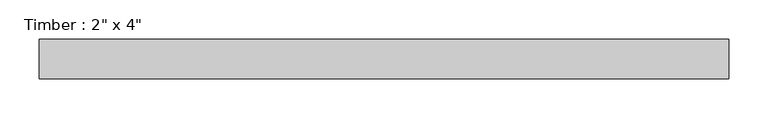
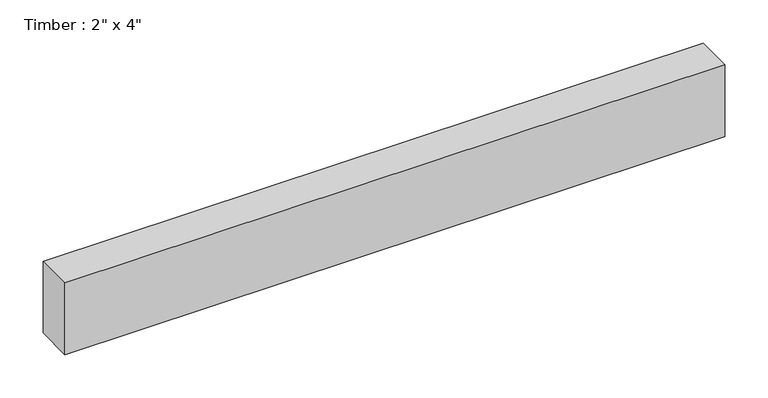
"""IFC4 building model written with IfcOpenShell, lengths in millimetres: beam geometry."""

from ifc_helpers import new_model, si_unit, frame, origin, place, context, project, spatial, polyline, outline, extrude, source, transform, mapped, element, save


def beam_74559102(model_context):
    return source(origin(), model_context, "Body", "SweptSolid", [
        extrude(outline(polyline([(460.6335528, 25.4), (460.6335528, -25.4), (-423.3963909, -25.4), (-423.3963909, 25.4), (460.6335528, 25.4)])), frame((0.0, 0.0, -50.8), z_axis=(0.0, 0.0, 1.0), x_axis=(1.0, 0.0, 0.0)), (0.0, 0.0, 1.0), 101.6),
    ])


if __name__ == "__main__":
    model = new_model("IFC4")
    model_context = context("Model", 3, world=origin())
    ifc_project = project(units=[si_unit("LENGTHUNIT", "METRE", prefix="MILLI")], contexts=[model_context])
    site = spatial("IfcSite", under=ifc_project)
    building = spatial("IfcBuilding", under=site)
    placement = place(None, origin())
    beam_shape = beam_74559102(model_context)
    element("IfcBeam", 1, ObjectType="Timber : 2\" x 4\"", at=placement, inside=building, context=model_context, shape_type="MappedRepresentation", body=[
        mapped(beam_shape, transform((0.0, 0.0, 0.0), x_axis=(1.0, 0.0, 0.0), y_axis=(0.0, 1.0, 0.0), z_axis=(0.0, 0.0, 1.0))),
    ])
    save(model, "model.ifc")
